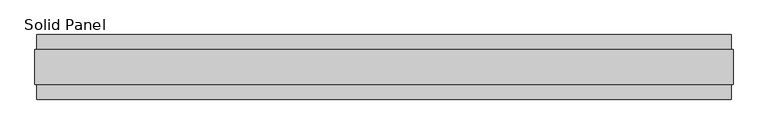
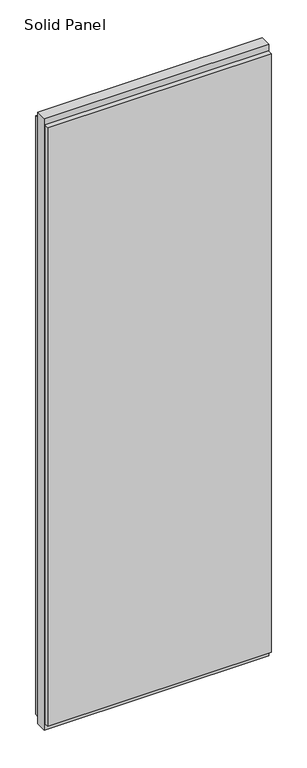
"""IFC4 building model written with IfcOpenShell, lengths in millimetres: plate geometry, Solid Panel."""

from ifc_helpers import new_model, si_unit, frame, origin, origin_with_axes, place, context, project, spatial, polyline, outline, extrude, source, transform, mapped, element, save


def solid_panel_e50c78f1(model_context):
    return source(origin(), model_context, "Body", "SweptSolid", [
        extrude(outline(polyline([(517.7028, -48.4531867), (-517.7028, -48.4531867), (-517.7028, -25.9961), (517.7028, -25.9961), (517.7028, -48.4531867)])), frame((0.0, 0.0, 32.004), z_axis=(0.0, 0.0, 1.0), x_axis=(1.0, 0.0, 0.0)), (0.0, 0.0, 1.0), 2933.192),
        extrude(outline(polyline([(517.7028, 25.9977), (-517.7028, 25.9977), (-517.7028, 48.4547867), (517.7028, 48.4547867), (517.7028, 25.9977)])), frame((0.0, 0.0, 32.004), z_axis=(0.0, 0.0, 1.0), x_axis=(1.0, 0.0, 0.0)), (0.0, 0.0, 1.0), 2933.192),
        extrude(outline(polyline([(520.7, -25.9961), (-520.7, -25.9961), (-520.7, 25.9977), (520.7, 25.9977), (520.7, -25.9961)])), origin_with_axes(), (0.0, 0.0, 1.0), 2997.2),
    ])


if __name__ == "__main__":
    model = new_model("IFC4")
    model_context = context("Model", 3, world=origin())
    ifc_project = project(units=[si_unit("LENGTHUNIT", "METRE", prefix="MILLI")], contexts=[model_context])
    site = spatial("IfcSite", under=ifc_project)
    building = spatial("IfcBuilding", under=site)
    placement = place(None, origin())
    solid_panel_shape = solid_panel_e50c78f1(model_context)
    element("IfcPlate", 1, ObjectType="Solid Panel", at=placement, inside=building, context=model_context, shape_type="MappedRepresentation", body=[
        mapped(solid_panel_shape, transform((0.0, 0.0, 0.0), x_axis=(1.0, 0.0, 0.0), y_axis=(0.0, 1.0, 0.0), z_axis=(0.0, 0.0, 1.0))),
    ])
    save(model, "model.ifc")
